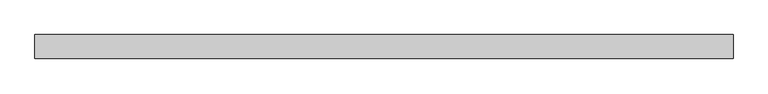
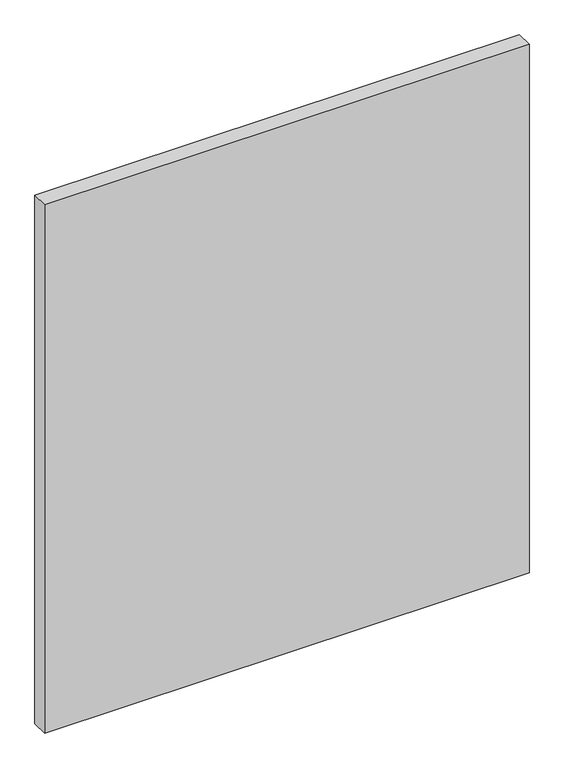
"""IFC4 building model written with IfcOpenShell, lengths in millimetres: plate geometry."""

from ifc_helpers import new_model, si_unit, origin, origin_with_axes, place, context, project, spatial, polyline, outline, extrude, source, transform, mapped, element, save


def plate_535c637c(model_context):
    return source(origin(), model_context, "Body", "SweptSolid", [
        extrude(outline(polyline([(507.5625, -17.5), (-507.5625, -17.5), (-507.5625, 17.5), (507.5625, 17.5), (507.5625, -17.5)])), origin_with_axes(), (0.0, 0.0, 1.0), 1170.0),
    ])


if __name__ == "__main__":
    model = new_model("IFC4")
    model_context = context("Model", 3, world=origin())
    ifc_project = project(units=[si_unit("LENGTHUNIT", "METRE", prefix="MILLI")], contexts=[model_context])
    site = spatial("IfcSite", under=ifc_project)
    building = spatial("IfcBuilding", under=site)
    placement = place(None, origin())
    plate_shape = plate_535c637c(model_context)
    element("IfcPlate", 1, at=placement, inside=building, context=model_context, shape_type="MappedRepresentation", body=[
        mapped(plate_shape, transform((0.0, 0.0, 0.0), x_axis=(1.0, 0.0, 0.0), y_axis=(0.0, 1.0, 0.0), z_axis=(0.0, 0.0, 1.0))),
    ])
    save(model, "model.ifc")
